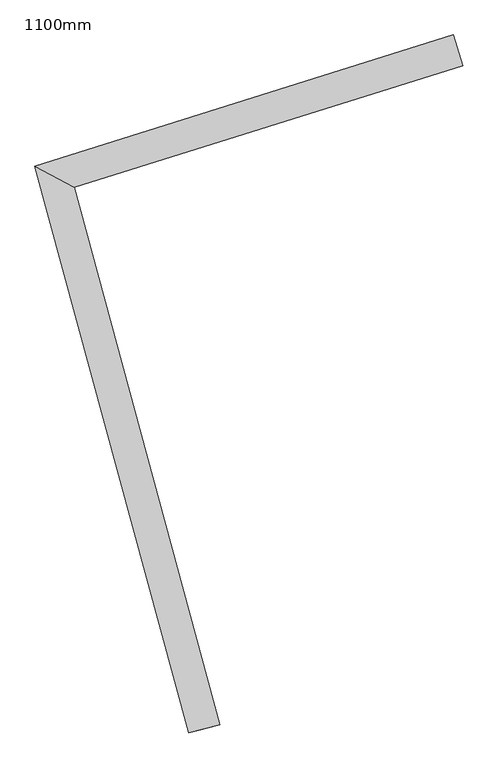
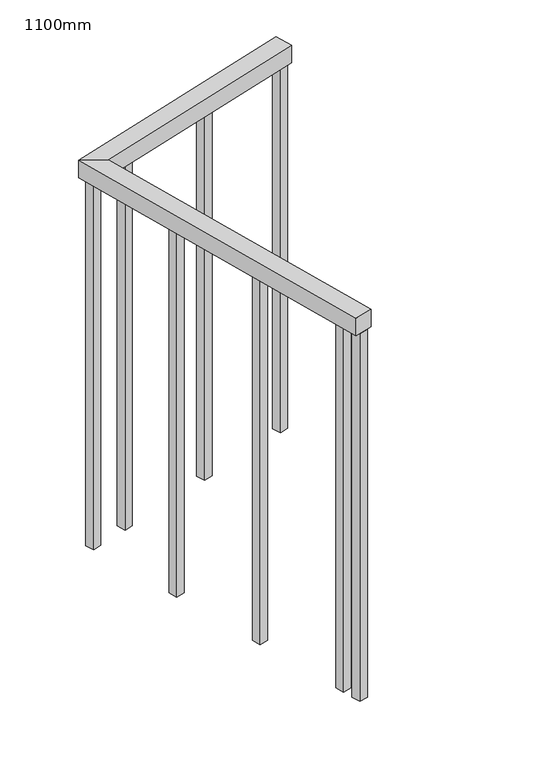
"""IFC4 building model written with IfcOpenShell, lengths in millimetres: railing geometry, 1100mm."""

from ifc_helpers import new_model, si_unit, frame, origin, place, context, project, spatial, polyline, outline, extrude, faceted_brep, source, transform, mapped, element, save


def railing_1100mm_4fde124c(model_context):
    return source(origin(), model_context, "Body", "SolidModel", [
        faceted_brep([(127717.4830815, 23822.9324245, 1700.0), (127717.4830815, 23822.9324245, 1650.0), (127702.5211875, 23870.6413516, 1650.0), (127702.5211875, 23870.6413516, 1700.0), (127051.2774943, 23666.4062183, 1700.0), (127112.1459701, 23633.0939555, 1700.0), (127051.2774943, 23666.4062183, 1650.0), (127112.1459701, 23633.0939555, 1650.0), (127339.442659, 22796.8444958, 1700.0), (127291.1931884, 22783.730054, 1700.0), (127291.1931884, 22783.730054, 1650.0), (127339.442659, 22796.8444958, 1650.0)], [[[0, 1, 2, 3]], [[0, 3, 4, 5]], [[3, 2, 6, 4]], [[2, 1, 7, 6]], [[1, 0, 5, 7]], [[8, 9, 10, 11]], [[5, 4, 9, 8]], [[4, 6, 10, 9]], [[6, 7, 11, 10]], [[7, 5, 8, 11]]]),
        extrude(outline(polyline([(127306.88378, 22868.9747998), (127313.4410009, 22844.8500645), (127289.3162656, 22838.2928436), (127282.7590446, 22862.4175789), (127306.88378, 22868.9747998)])), frame((0.0, 0.0, 600.0), z_axis=(0.0, 0.0, 1.0), x_axis=(1.0, 0.0, 0.0)), (0.0, 0.0, 1.0), 1050.0),
        extrude(outline(polyline([(127234.7543498, 23134.3468882), (127241.3115707, 23110.2221529), (127217.1868354, 23103.664932), (127210.6296145, 23127.7896673), (127234.7543498, 23134.3468882)])), frame((0.0, 0.0, 600.0), z_axis=(0.0, 0.0, 1.0), x_axis=(1.0, 0.0, 0.0)), (0.0, 0.0, 1.0), 1050.0),
        extrude(outline(polyline([(127162.6249196, 23399.7189766), (127169.1821405, 23375.5942413), (127145.0574052, 23369.0370204), (127138.5001843, 23393.1617557), (127162.6249196, 23399.7189766)])), frame((0.0, 0.0, 600.0), z_axis=(0.0, 0.0, 1.0), x_axis=(1.0, 0.0, 0.0)), (0.0, 0.0, 1.0), 1050.0),
        extrude(outline(polyline([(127200.8716413, 23674.0192959), (127177.0171777, 23666.5383489), (127169.5362307, 23690.3928125), (127193.3906943, 23697.8737595), (127200.8716413, 23674.0192959)])), frame((0.0, 0.0, 600.0), z_axis=(0.0, 0.0, 1.0), x_axis=(1.0, 0.0, 0.0)), (0.0, 0.0, 1.0), 1050.0),
        extrude(outline(polyline([(127463.2707405, 23756.3097128), (127439.4162769, 23748.8287658), (127431.9353299, 23772.6832294), (127455.7897935, 23780.1641764), (127463.2707405, 23756.3097128)])), frame((0.0, 0.0, 600.0), z_axis=(0.0, 0.0, 1.0), x_axis=(1.0, 0.0, 0.0)), (0.0, 0.0, 1.0), 1050.0),
        extrude(outline(polyline([(127097.3794375, 23641.5633286), (127073.5249739, 23634.0823816), (127066.0440269, 23657.9368452), (127089.8984905, 23665.4177921), (127097.3794375, 23641.5633286)])), frame((0.0, 0.0, 600.0), z_axis=(0.0, 0.0, 1.0), x_axis=(1.0, 0.0, 0.0)), (0.0, 0.0, 1.0), 1050.0),
        extrude(outline(polyline([(127320.8230704, 22817.6906207), (127327.3802913, 22793.5658854), (127303.255556, 22787.0086644), (127296.6983351, 22811.1333997), (127320.8230704, 22817.6906207)])), frame((0.0, 0.0, 600.0), z_axis=(0.0, 0.0, 1.0), x_axis=(1.0, 0.0, 0.0)), (0.0, 0.0, 1.0), 1050.0),
        extrude(outline(polyline([(127713.742608, 23834.8596563), (127689.8881444, 23827.3787093), (127682.4071974, 23851.2331728), (127706.261661, 23858.7141198), (127713.742608, 23834.8596563)])), frame((0.0, 0.0, 600.0), z_axis=(0.0, 0.0, 1.0), x_axis=(1.0, 0.0, 0.0)), (0.0, 0.0, 1.0), 1050.0),
    ])


if __name__ == "__main__":
    model = new_model("IFC4")
    model_context = context("Model", 3, world=origin())
    ifc_project = project(units=[si_unit("LENGTHUNIT", "METRE", prefix="MILLI")], contexts=[model_context])
    site = spatial("IfcSite", under=ifc_project)
    building = spatial("IfcBuilding", under=site)
    placement = place(None, origin())
    railing_1100mm_shape = railing_1100mm_4fde124c(model_context)
    element("IfcRailing", 1, ObjectType="1100mm", at=placement, inside=building, context=model_context, shape_type="MappedRepresentation", body=[
        mapped(railing_1100mm_shape, transform((0.0, 0.0, 0.0), x_axis=(1.0, 0.0, 0.0), y_axis=(0.0, 1.0, 0.0), z_axis=(0.0, 0.0, 1.0))),
    ])
    save(model, "model.ifc")
